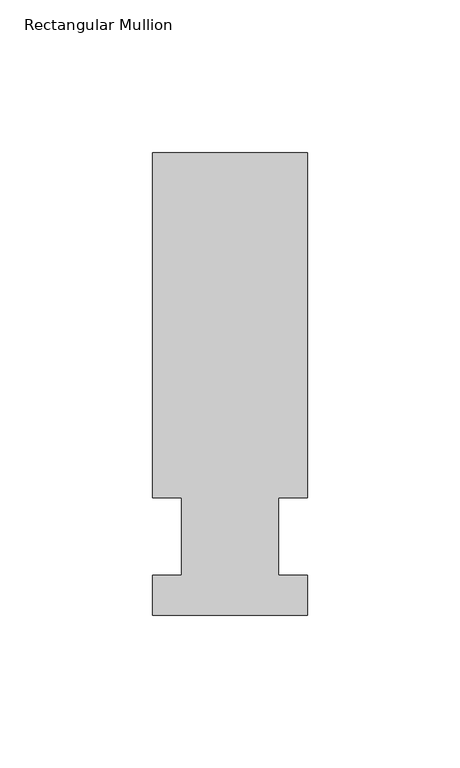
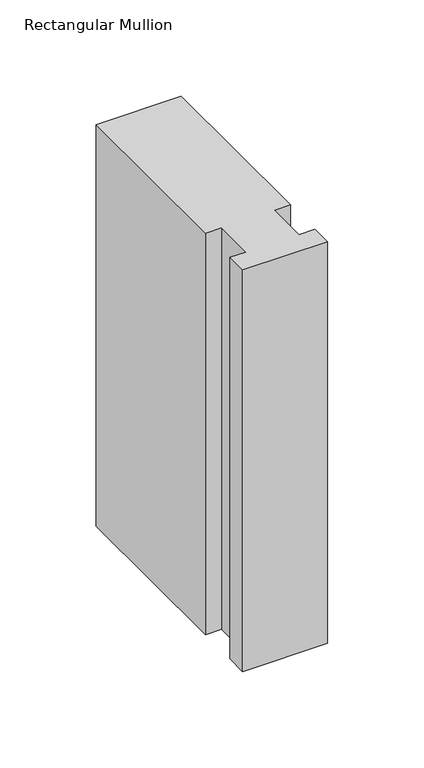
"""IFC4 building model written with IfcOpenShell, lengths in millimetres: member geometry, Rectangular Mullion."""

from ifc_helpers import new_model, si_unit, frame, origin, place, context, project, spatial, polyline, outline, extrude, source, transform, mapped, element, save


def rectangular_mullion_a8847b9c(model_context):
    return source(origin(), model_context, "Body", "SweptSolid", [
        extrude(outline(polyline([(-25.4, -25.796875), (-25.4, -12.7), (-15.875, -12.7), (-15.875, 12.7), (-25.4, 12.7), (-25.4, 125.809375), (25.4, 125.809375), (25.4, 12.7), (15.875, 12.7), (15.875, -12.7), (25.4, -12.7), (25.4, -25.796875), (-25.4, -25.796875)])), frame((0.0, 0.0, -254.0), z_axis=(0.0, 0.0, 1.0), x_axis=(1.0, 0.0, 0.0)), (0.0, 0.0, 1.0), 254.0),
    ])


if __name__ == "__main__":
    model = new_model("IFC4")
    model_context = context("Model", 3, world=origin())
    ifc_project = project(units=[si_unit("LENGTHUNIT", "METRE", prefix="MILLI")], contexts=[model_context])
    site = spatial("IfcSite", under=ifc_project)
    building = spatial("IfcBuilding", under=site)
    placement = place(None, origin())
    rectangular_mullion_shape = rectangular_mullion_a8847b9c(model_context)
    element("IfcMember", 1, ObjectType="Rectangular Mullion", at=placement, inside=building, context=model_context, shape_type="MappedRepresentation", body=[
        mapped(rectangular_mullion_shape, transform((0.0, 0.0, 0.0), x_axis=(1.0, 0.0, 0.0), y_axis=(0.0, 1.0, 0.0), z_axis=(0.0, 0.0, 1.0))),
    ])
    save(model, "model.ifc")
